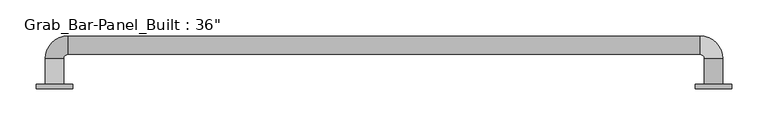
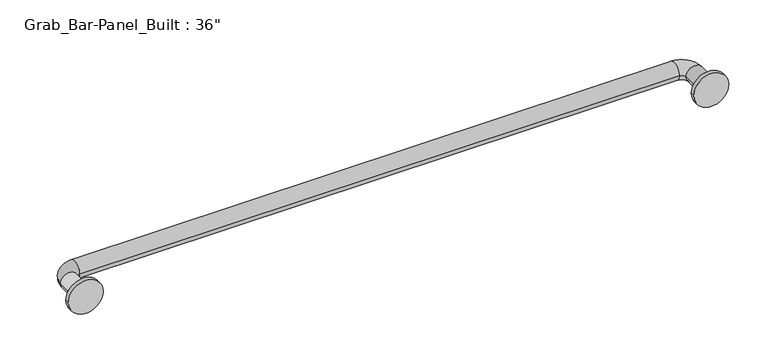
"""IFC4 building model written with IfcOpenShell, lengths in millimetres: proxy geometry."""

from ifc_helpers import new_model, si_unit, point, frame, origin, place, context, project, spatial, circle_curve, ellipse_curve, trimmed, source, transform, mapped, element, save
from ifc_brep_helpers import plane_surface, cylinder_surface, revolved_surface, advanced_brep


def proxy_fbe62e91(model_context):
    return source(origin(), model_context, "Body", "AdvancedBrep", [
        advanced_brep(
        [(-482.6, 6.35, 0.0), (-431.8, 6.35, 0.0), (-469.9, 6.35, 0.0), (-444.5, 6.35, 0.0), (431.8, 6.35, 0.0), (482.6, 6.35, 0.0), (444.5, 6.35, 0.0), (469.9, 6.35, 0.0), (-482.6, 0.0, 0.0), (-431.8, 0.0, 0.0), (431.8, 0.0, 0.0), (482.6, 0.0, 0.0), (-469.9, 41.275, 0.0), (-444.5, 41.275, 0.0), (-438.15, 47.625, 0.0), (438.15, 47.625, 0.0), (438.15, 73.025, 0.0), (-438.15, 73.025, 0.0), (444.5, 41.275, 0.0), (469.9, 41.275, 0.0)],
        [
            (0, 1, circle_curve(frame((-457.2, 6.35, 0.0), z_axis=(0.0, 1.0, 0.0), x_axis=(1.0, 0.0, 0.0)), 25.4)),
            (1, 0, circle_curve(frame((-457.2, 6.35, 0.0), z_axis=(0.0, 1.0, 0.0), x_axis=(1.0, 0.0, 0.0)), 25.4)),
            (2, 3, circle_curve(frame((-457.2, 6.35, 0.0), z_axis=(0.0, -1.0, 0.0), x_axis=(1.0, 0.0, 0.0)), 12.7)),
            (3, 2, circle_curve(frame((-457.2, 6.35, 0.0), z_axis=(0.0, -1.0, 0.0), x_axis=(1.0, 0.0, 0.0)), 12.7)),
            (4, 5, circle_curve(frame((457.2, 6.35, 0.0), z_axis=(0.0, 1.0, 0.0), x_axis=(1.0, 0.0, 0.0)), 25.4)),
            (5, 4, circle_curve(frame((457.2, 6.35, 0.0), z_axis=(0.0, 1.0, 0.0), x_axis=(1.0, 0.0, 0.0)), 25.4)),
            (6, 7, circle_curve(frame((457.2, 6.35, 0.0), z_axis=(0.0, -1.0, 0.0), x_axis=(-1.0, 0.0, 0.0)), 12.7)),
            (7, 6, circle_curve(frame((457.2, 6.35, 0.0), z_axis=(0.0, -1.0, 0.0), x_axis=(-1.0, 0.0, 0.0)), 12.7)),
            (8, 9, circle_curve(frame((-457.2, 0.0, 0.0), z_axis=(0.0, -1.0, 0.0), x_axis=(1.0, 0.0, 0.0)), 25.4)),
            (9, 8, circle_curve(frame((-457.2, 0.0, 0.0), z_axis=(0.0, -1.0, 0.0), x_axis=(1.0, 0.0, 0.0)), 25.4)),
            (10, 11, circle_curve(frame((457.2, 0.0, 0.0), z_axis=(0.0, -1.0, 0.0), x_axis=(1.0, 0.0, 0.0)), 25.4)),
            (11, 10, circle_curve(frame((457.2, 0.0, 0.0), z_axis=(0.0, -1.0, 0.0), x_axis=(1.0, 0.0, 0.0)), 25.4)),
            (1, 9),
            (8, 0),
            (5, 11),
            (10, 4),
            (12, 2),
            (3, 13),
            (13, 12, circle_curve(frame((-457.2, 41.275, 0.0), z_axis=(0.0, -1.0, 0.0), x_axis=(1.0, 0.0, 0.0)), 12.7)),
            (12, 13, circle_curve(frame((-457.2, 41.275, 0.0), z_axis=(0.0, -1.0, 0.0), x_axis=(1.0, 0.0, 0.0)), 12.7)),
            (14, 15),
            (15, 16, circle_curve(frame((438.15, 60.325, 0.0), z_axis=(-1.0, 0.0, 0.0), x_axis=(0.0, -1.0, 0.0)), 12.7)),
            (16, 17),
            (17, 14, circle_curve(frame((-438.15, 60.325, 0.0), z_axis=(1.0, 0.0, 0.0), x_axis=(0.0, -1.0, 0.0)), 12.7)),
            (16, 15, circle_curve(frame((438.15, 60.325, 0.0), z_axis=(-1.0, 0.0, 0.0), x_axis=(0.0, -1.0, 0.0)), 12.7)),
            (14, 17, circle_curve(frame((-438.15, 60.325, 0.0), z_axis=(1.0, 0.0, 0.0), x_axis=(0.0, -1.0, 0.0)), 12.7)),
            (18, 6),
            (7, 19),
            (19, 18, circle_curve(frame((457.2, 41.275, 0.0), z_axis=(0.0, -1.0, 0.0), x_axis=(-1.0, 0.0, 0.0)), 12.7)),
            (18, 19, circle_curve(frame((457.2, 41.275, 0.0), z_axis=(0.0, -1.0, 0.0), x_axis=(-1.0, 0.0, 0.0)), 12.7)),
            (13, 14, circle_curve(frame((-438.15, 41.275, 0.0), z_axis=(0.0, 0.0, -1.0), x_axis=(-1.0, 0.0, 0.0)), 6.35)),
            (17, 12, circle_curve(frame((-438.15, 41.275, 0.0), z_axis=(0.0, 0.0, 1.0), x_axis=(-1.0, 0.0, 0.0)), 31.75)),
            (15, 18, circle_curve(frame((438.15, 41.275, 0.0), z_axis=(0.0, 0.0, -1.0), x_axis=(0.0, 1.0, 0.0)), 6.35)),
            (19, 16, circle_curve(frame((438.15, 41.275, 0.0), z_axis=(0.0, 0.0, 1.0), x_axis=(0.0, 1.0, 0.0)), 31.75)),
        ],
        [
            plane_surface(frame((-431.8, 6.35, 0.0), z_axis=(0.0, 1.0, 0.0), x_axis=(0.0, 0.0, 1.0))),
            plane_surface(frame((-431.8, 0.0, 0.0), z_axis=(0.0, -1.0, 0.0), x_axis=(0.0, 0.0, -1.0))),
            cylinder_surface(frame((-457.2, 0.0, 0.0), z_axis=(0.0, 1.0, 0.0), x_axis=(1.0, 0.0, 0.0)), 25.4),
            cylinder_surface(frame((457.2, 0.0, 0.0), z_axis=(0.0, 1.0, 0.0), x_axis=(1.0, 0.0, 0.0)), 25.4),
            cylinder_surface(frame((-457.2, 0.0, 0.0), z_axis=(0.0, -1.0, 0.0), x_axis=(1.0, 0.0, 0.0)), 12.7),
            cylinder_surface(frame((-438.15, 60.325, 0.0), z_axis=(-1.0, 0.0, 0.0), x_axis=(0.0, -1.0, 0.0)), 12.7),
            cylinder_surface(frame((457.2, 41.275, 0.0), z_axis=(0.0, 1.0, 0.0), x_axis=(-1.0, 0.0, 0.0)), 12.7),
            revolved_surface(trimmed(ellipse_curve(frame((-457.2, 41.275, 0.0), z_axis=(0.0, 1.0, 0.0), x_axis=(1.0, 0.0, 0.0)), 12.7, 12.7), [point((-469.9, 41.275, 0.0))], [point((-444.5, 41.275, 0.0))], True, "CARTESIAN"), (-438.15, 41.275, 0.0), (0.0, 0.0, 1.0)),
            revolved_surface(trimmed(ellipse_curve(frame((-457.2, 41.275, 0.0), z_axis=(0.0, 1.0, 0.0), x_axis=(1.0, 0.0, 0.0)), 12.7, 12.7), [point((-444.5, 41.275, 0.0))], [point((-469.9, 41.275, 0.0))], True, "CARTESIAN"), (-438.15, 41.275, 0.0), (0.0, 0.0, 1.0)),
            revolved_surface(trimmed(ellipse_curve(frame((438.15, 60.325, 0.0), z_axis=(1.0, 0.0, 0.0), x_axis=(0.0, -1.0, 0.0)), 12.7, 12.7), [point((438.15, 73.025, 0.0))], [point((438.15, 47.625, 0.0))], True, "CARTESIAN"), (438.15, 41.275, 0.0), (0.0, 0.0, 1.0)),
            revolved_surface(trimmed(ellipse_curve(frame((438.15, 60.325, 0.0), z_axis=(1.0, 0.0, 0.0), x_axis=(0.0, -1.0, 0.0)), 12.7, 12.7), [point((438.15, 47.625, 0.0))], [point((438.15, 73.025, 0.0))], True, "CARTESIAN"), (438.15, 41.275, 0.0), (0.0, 0.0, 1.0)),
        ],
        [
            (0, [[1, 2], [3, 4]]),
            (0, [[5, 6], [7, 8]]),
            (1, [[9, 10]]),
            (1, [[11, 12]]),
            (2, [[13, -9, 14, -2]]),
            (2, [[-14, -10, -13, -1]]),
            (3, [[15, -11, 16, -6]]),
            (3, [[-16, -12, -15, -5]]),
            (4, [[17, -4, 18, 19]]),
            (4, [[-18, -3, -17, 20]]),
            (5, [[21, 22, 23, 24]]),
            (5, [[25, -21, 26, -23]]),
            (6, [[27, -8, 28, 29]]),
            (6, [[-28, -7, -27, 30]]),
            (7, [[31, -24, 32, -19]]),
            (8, [[-32, -26, -31, -20]]),
            (9, [[33, -29, 34, -22]]),
            (10, [[-34, -30, -33, -25]]),
        ],
    ),
    ])


if __name__ == "__main__":
    model = new_model("IFC4")
    model_context = context("Model", 3, world=origin())
    ifc_project = project(units=[si_unit("LENGTHUNIT", "METRE", prefix="MILLI")], contexts=[model_context])
    site = spatial("IfcSite", under=ifc_project)
    building = spatial("IfcBuilding", under=site)
    placement = place(None, origin())
    proxy_shape = proxy_fbe62e91(model_context)
    element("IfcBuildingElementProxy", 1, Name="Grab_Bar-Panel_Built : 36\"", ObjectType="Grab_Bar-Panel_Built : 36\"", at=placement, inside=building, context=model_context, shape_type="MappedRepresentation", body=[
        mapped(proxy_shape, transform((0.0, 0.0, 0.0), x_axis=(1.0, 0.0, 0.0), y_axis=(0.0, 1.0, 0.0), z_axis=(0.0, 0.0, 1.0))),
    ])
    save(model, "model.ifc")
